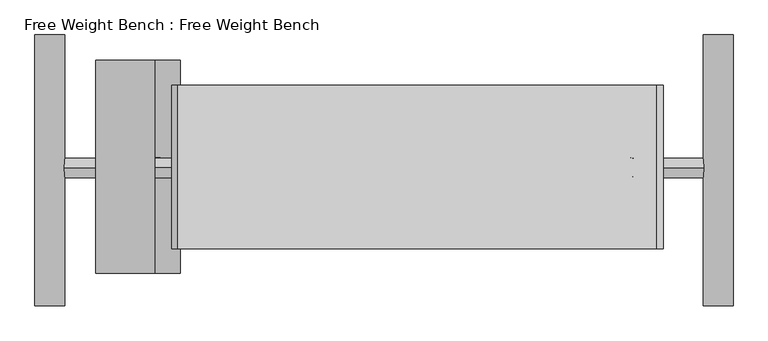
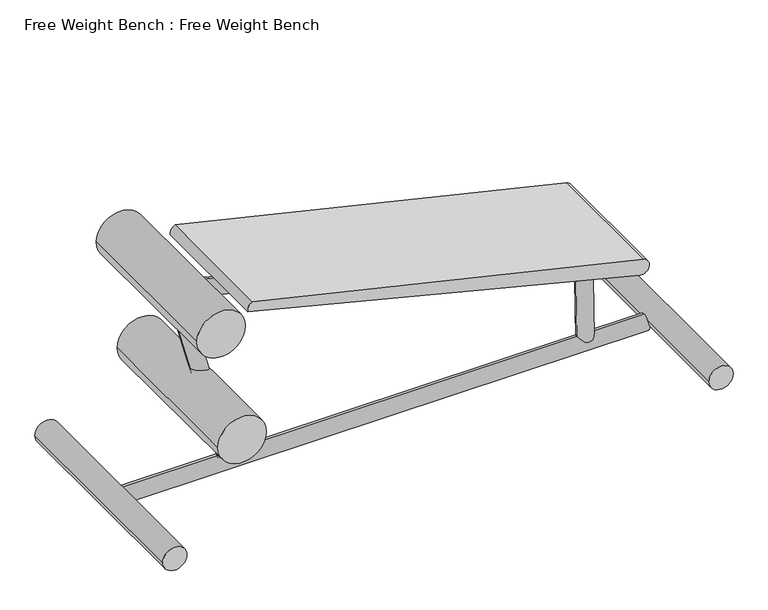
"""IFC4 building model written with IfcOpenShell, lengths in millimetres: proxy geometry, Free Weight Bench : Free Weight Bench."""

from ifc_helpers import new_model, si_unit, point, frame, frame_2d, origin, place, context, project, spatial, polyline, circle_curve, trimmed, segment, composite_curve, outline, extrude, source, transform, mapped, element, save


def free_weight_bench_free_weight_bench_d84bd0a1(model_context):
    return source(origin(), model_context, "Body", "SweptSolid", [
        extrude(outline(composite_curve([segment(trimmed(circle_curve(frame_2d((39.9587999, -29.6018185)), 38.1), [point((39.9587999, 8.4981815))], [point((39.9587999, -67.7018185))], False, "CARTESIAN"), True, "CONTINUOUS"), segment(trimmed(circle_curve(frame_2d((39.9587999, -29.6018185)), 38.1), [point((39.9587999, -67.7018185))], [point((39.9587999, 8.4981815))], False, "CARTESIAN"), True, "CONTINUOUS")], self_intersect=False)), frame((0.0, -1423.1586787, 0.0), z_axis=(0.0, 1.0, 0.0), x_axis=(0.0, 0.0, 1.0)), (0.0, 0.0, 1.0), 697.4694157),
        extrude(outline(composite_curve([segment(trimmed(circle_curve(frame_2d((294.7584065, 230.6836497)), 76.2), [point((294.7584065, 154.4836497))], [point((294.7584065, 306.8836497))], False, "CARTESIAN"), True, "CONTINUOUS"), segment(trimmed(circle_curve(frame_2d((294.7584065, 230.6836497)), 76.2), [point((294.7584065, 306.8836497))], [point((294.7584065, 154.4836497))], False, "CARTESIAN"), True, "CONTINUOUS")], self_intersect=False)), frame((0.0, -1339.8359763, 0.0), z_axis=(0.0, 1.0, 0.0), x_axis=(0.0, 0.0, 1.0)), (0.0, 0.0, 1.0), 549.0668753),
        extrude(outline(composite_curve([segment(trimmed(circle_curve(frame_2d((0.0, 25.4)), 25.4), [point((0.0, 50.8))], [point((0.0, 0.0))], False, "CARTESIAN"), True, "CONTINUOUS"), segment(trimmed(circle_curve(frame_2d((0.0, 25.4)), 25.4), [point((0.0, 0.0))], [point((0.0, 50.8))], False, "CARTESIAN"), True, "CONTINUOUS")], self_intersect=False)), frame((1493.8991834, -1066.9338344, 37.4165057), z_axis=(-0.014169682950653878, 0.0, 0.9998996050029613), x_axis=(0.0, 1.0, 0.0)), (0.0, 0.0, 1.0), 292.5389249),
        extrude(outline(composite_curve([segment(trimmed(circle_curve(frame_2d((0.0, 25.4)), 25.4), [point((0.0, 50.8))], [point((0.0, 0.0))], False, "CARTESIAN"), True, "CONTINUOUS"), segment(trimmed(circle_curve(frame_2d((0.0, 25.4)), 25.4), [point((0.0, 0.0))], [point((0.0, 50.8))], False, "CARTESIAN"), True, "CONTINUOUS")], self_intersect=False)), frame((1487.9807039, -1068.3206428, 295.8835549), z_axis=(-0.9702957262759946, 0.0, 0.24192189559967517), x_axis=(0.0, -1.0, 0.0)), (0.0, 0.0, 1.0), 1344.4083052),
        extrude(outline(composite_curve([segment(trimmed(circle_curve(frame_2d((0.0, 25.4)), 25.4), [point((0.0, 50.8))], [point((0.0, 0.0))], False, "CARTESIAN"), True, "CONTINUOUS"), segment(trimmed(circle_curve(frame_2d((0.0, 25.4)), 25.4), [point((0.0, 0.0))], [point((0.0, 50.8))], False, "CARTESIAN"), True, "CONTINUOUS")], self_intersect=False)), frame((366.400056, -1066.9338344, 35.2664529), z_axis=(-0.2588190451025147, 0.0, 0.9659258262890699), x_axis=(0.0, 1.0, 0.0)), (0.0, 0.0, 1.0), 667.1397878),
        extrude(outline(composite_curve([segment(trimmed(circle_curve(frame_2d((-1068.3206428, 23.8670022)), 25.4), [point((-1068.3206428, 49.2670022))], [point((-1068.3206428, -1.5329978))], False, "CARTESIAN"), True, "CONTINUOUS"), segment(trimmed(circle_curve(frame_2d((-1068.3206428, 23.8670022)), 25.4), [point((-1068.3206428, -1.5329978))], [point((-1068.3206428, 49.2670022))], False, "CARTESIAN"), True, "CONTINUOUS")], self_intersect=False)), frame((4.9901881, 0.0, 0.0), z_axis=(1.0, 0.0, 0.0), x_axis=(0.0, 1.0, 0.0)), (0.0, 0.0, 1.0), 1652.8416449),
        extrude(outline(composite_curve([segment(trimmed(circle_curve(frame_2d((39.9587999, 1691.9817555)), 38.1), [point((39.9587999, 1653.8817555))], [point((39.9587999, 1730.0817555))], False, "CARTESIAN"), True, "CONTINUOUS"), segment(trimmed(circle_curve(frame_2d((39.9587999, 1691.9817555)), 38.1), [point((39.9587999, 1730.0817555))], [point((39.9587999, 1653.8817555))], False, "CARTESIAN"), True, "CONTINUOUS")], self_intersect=False)), frame((0.0, -1423.1586787, 0.0), z_axis=(0.0, 1.0, 0.0), x_axis=(0.0, 0.0, 1.0)), (0.0, 0.0, 1.0), 697.4694157),
        extrude(outline(composite_curve([segment(trimmed(circle_curve(frame_2d((669.9701604, 164.5236941)), 76.2), [point((669.9701604, 88.3236941))], [point((669.9701604, 240.7236941))], False, "CARTESIAN"), True, "CONTINUOUS"), segment(trimmed(circle_curve(frame_2d((669.9701604, 164.5236941)), 76.2), [point((669.9701604, 240.7236941))], [point((669.9701604, 88.3236941))], False, "CARTESIAN"), True, "CONTINUOUS")], self_intersect=False)), frame((0.0, -1339.8359763, 0.0), z_axis=(0.0, 1.0, 0.0), x_axis=(0.0, 0.0, 1.0)), (0.0, 0.0, 1.0), 549.0668753),
        extrude(outline(composite_curve([segment(trimmed(circle_curve(frame_2d((376.785859, 1525.2949444)), 25.4318859), [point((351.7294533, 1520.9409401))], [point((400.9113351, 1533.3411996))], False, "CARTESIAN"), True, "CONTINUOUS"), segment(trimmed(circle_curve(frame_2d((-8060.617718, -1112.3300134)), 8865.4977347), [point((400.9113351, 1533.3411996))], [point((691.6927978, 299.7998386))], False, "CARTESIAN"), True, "CONTINUOUS"), segment(trimmed(circle_curve(frame_2d((668.243213, 310.3137788)), 25.6987542), [point((691.6927978, 299.7998386))], [point((663.3253516, 285.0899685))], False, "CARTESIAN"), True, "CONTINUOUS"), segment(polyline([(663.3253516, 285.0899685), (351.7294533, 1520.9409401)]), True, "CONTINUOUS")], self_intersect=False)), frame((0.0, -1276.2808199, 0.0), z_axis=(0.0, 1.0, 0.0), x_axis=(0.0, 0.0, 1.0)), (0.0, 0.0, 1.0), 421.5980746),
    ])


if __name__ == "__main__":
    model = new_model("IFC4")
    model_context = context("Model", 3, world=origin())
    ifc_project = project(units=[si_unit("LENGTHUNIT", "METRE", prefix="MILLI")], contexts=[model_context])
    site = spatial("IfcSite", under=ifc_project)
    building = spatial("IfcBuilding", under=site)
    placement = place(None, origin())
    free_weight_bench_free_weight_bench_shape = free_weight_bench_free_weight_bench_d84bd0a1(model_context)
    element("IfcBuildingElementProxy", 1, Name="Free Weight Bench : Free Weight Bench", ObjectType="Free Weight Bench : Free Weight Bench", at=placement, inside=building, context=model_context, shape_type="MappedRepresentation", body=[
        mapped(free_weight_bench_free_weight_bench_shape, transform((0.0, 0.0, 0.0), x_axis=(1.0, 0.0, 0.0), y_axis=(0.0, 1.0, 0.0), z_axis=(0.0, 0.0, 1.0))),
    ])
    save(model, "model.ifc")
